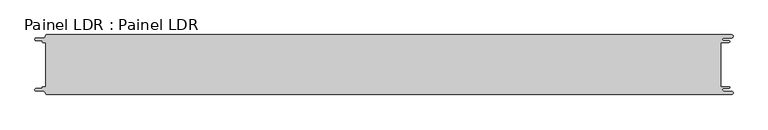
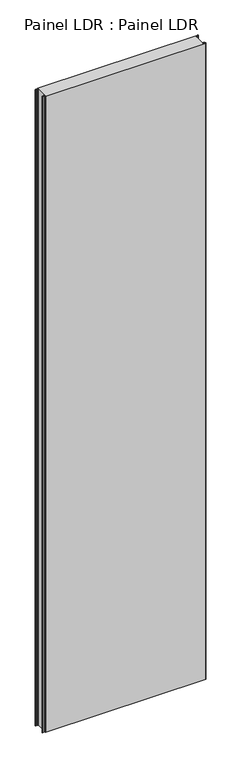
"""IFC4 building model written with IfcOpenShell, lengths in millimetres: proxy geometry, Painel LDR : Painel LDR."""

from ifc_helpers import new_model, si_unit, frame, origin, place, context, project, spatial, polyline, circle_curve, source, transform, mapped, element, save
from ifc_brep_helpers import plane_surface, cylinder_surface, revolved_surface, advanced_brep


def painel_ldr_painel_ldr_8122386d(model_context):
    return source(origin(), model_context, "Body", "AdvancedBrep", [
        advanced_brep(
        [(-579.5093748, -37.3, 4800.0), (-580.1093748, -37.9, 4800.0), (-580.1093748, -38.7085184, 4800.0), (-581.5093751, -40.1085187, 4800.0), (-590.4875, -40.1085187, 4800.0), (-590.4875, -44.5085185, 4800.0), (-578.471875, -44.5085185, 4800.0), (-574.921875, -48.0585185, 4800.0), (-572.971875, -50.0, 4800.0), (572.284375, -50.0, 4800.0), (572.284375, -44.725, 4800.0), (559.378125, -44.725, 4800.0), (559.378125, -39.875, 4800.0), (568.0406253, -39.875, 4800.0), (568.0406253, -37.3, 4800.0), (554.1906253, -37.3, 4800.0), (554.1906253, 37.3, 4800.0), (568.0406253, 37.3, 4800.0), (568.0406253, 39.875, 4800.0), (559.378125, 39.875, 4800.0), (559.378125, 44.725, 4800.0), (572.284375, 44.725, 4800.0), (572.284375, 50.0, 4800.0), (-572.971875, 50.0, 4800.0), (-574.921875, 48.05, 4800.0), (-578.471875, 44.5085185, 4800.0), (-590.4875, 44.5085185, 4800.0), (-590.4875, 40.1085185, 4800.0), (-581.5093753, 40.1085185, 4800.0), (-580.1093753, 38.7085185, 4800.0), (-580.1093753, 37.9, 4800.0), (-579.5093748, 37.2999995, 4800.0), (-574.2218362, 37.2999995, 4800.0), (-574.2218362, -37.3, 4800.0), (-579.5093748, -37.3, 0.0), (-574.2218362, -37.3, 0.0), (-574.2218362, 37.2999995, 0.0), (-579.5093748, 37.2999995, 0.0), (-580.1093753, 37.9, 0.0), (-580.1093753, 38.7085185, 0.0), (-581.5093753, 40.1085185, 0.0), (-590.4875, 40.1085185, 0.0), (-590.4875, 44.5085185, 0.0), (-578.471875, 44.5085185, 0.0), (-574.921875, 48.0585185, 0.0), (-572.971875, 50.0, 0.0), (572.284375, 50.0, 0.0), (572.284375, 44.725, 0.0), (559.378125, 44.725, 0.0), (559.378125, 39.875, 0.0), (568.0406253, 39.875, 0.0), (568.0406253, 37.3, 0.0), (554.1906253, 37.3, 0.0), (554.1906253, -37.3, 0.0), (568.0406253, -37.3, 0.0), (568.0406253, -39.875, 0.0), (559.378125, -39.875, 0.0), (559.378125, -44.725, 0.0), (572.284375, -44.725, 0.0), (572.284375, -50.0, 0.0), (-572.971875, -50.0, 0.0), (-574.921875, -48.05, 0.0), (-578.471875, -44.5085185, 0.0), (-590.4875, -44.5085185, 0.0), (-590.4875, -40.1085187, 0.0), (-581.5093751, -40.1085187, 0.0), (-580.1093748, -38.7085184, 0.0), (-580.1093748, -37.9, 0.0)],
        [
            (0, 1, circle_curve(frame((-579.5093748, -37.9, 4800.0), z_axis=(0.0, 0.0, 1.0), x_axis=(1.0, 0.0, 0.0)), 0.6)),
            (1, 2),
            (2, 3, circle_curve(frame((-581.5093751, -38.7085184, 4800.0), z_axis=(0.0, 0.0, -1.0), x_axis=(1.0, 0.0, 0.0)), 1.4000003)),
            (3, 4),
            (4, 5, circle_curve(frame((-590.4875, -42.3085186, 4800.0), z_axis=(0.0, 0.0, 1.0), x_axis=(1.0, 0.0, 0.0)), 2.1999999)),
            (5, 6),
            (6, 7, circle_curve(frame((-578.471875, -48.0585185, 4800.0), z_axis=(0.0, 0.0, -1.0), x_axis=(1.0, 0.0, 0.0)), 3.55)),
            (7, 8, circle_curve(frame((-572.971875, -48.05, 4800.0), z_axis=(0.0, 0.0, 1.0), x_axis=(1.0, 0.0, 0.0)), 1.95)),
            (8, 9),
            (9, 10, circle_curve(frame((572.284375, -47.3625, 4800.0), z_axis=(0.0, 0.0, 1.0), x_axis=(1.0, 0.0, 0.0)), 2.6375)),
            (10, 11),
            (11, 12, circle_curve(frame((559.378125, -42.3, 4800.0), z_axis=(0.0, 0.0, -1.0), x_axis=(1.0, 0.0, 0.0)), 2.425)),
            (12, 13),
            (13, 14, circle_curve(frame((568.0406253, -38.5875, 4800.0), z_axis=(0.0, 0.0, 1.0), x_axis=(1.0, 0.0, 0.0)), 1.2875)),
            (14, 15),
            (15, 16),
            (16, 17),
            (17, 18, circle_curve(frame((568.0406253, 38.5875, 4800.0), z_axis=(0.0, 0.0, 1.0), x_axis=(1.0, 0.0, 0.0)), 1.2875)),
            (18, 19),
            (19, 20, circle_curve(frame((559.378125, 42.3, 4800.0), z_axis=(0.0, 0.0, -1.0), x_axis=(1.0, 0.0, 0.0)), 2.425)),
            (20, 21),
            (21, 22, circle_curve(frame((572.284375, 47.3625, 4800.0), z_axis=(0.0, 0.0, 1.0), x_axis=(1.0, 0.0, 0.0)), 2.6375)),
            (22, 23),
            (23, 24, circle_curve(frame((-572.971875, 48.05, 4800.0), z_axis=(0.0, 0.0, 1.0), x_axis=(1.0, 0.0, 0.0)), 1.95)),
            (24, 25, circle_curve(frame((-578.471875, 48.0585185, 4800.0), z_axis=(0.0, 0.0, -1.0), x_axis=(1.0, 0.0, 0.0)), 3.55)),
            (25, 26),
            (26, 27, circle_curve(frame((-590.4875, 42.3085185, 4800.0), z_axis=(0.0, 0.0, 1.0), x_axis=(1.0, 0.0, 0.0)), 2.2)),
            (27, 28),
            (28, 29, circle_curve(frame((-581.5093753, 38.7085185, 4800.0), z_axis=(0.0, 0.0, -1.0), x_axis=(1.0, 0.0, 0.0)), 1.4)),
            (29, 30),
            (30, 31, circle_curve(frame((-579.5093748, 37.9, 4800.0), z_axis=(0.0, 0.0, 1.0), x_axis=(1.0, 0.0, 0.0)), 0.6000005)),
            (31, 32),
            (32, 33),
            (33, 0),
            (34, 35),
            (35, 36),
            (36, 37),
            (37, 38, circle_curve(frame((-579.5093748, 37.9, 0.0), z_axis=(0.0, 0.0, -1.0), x_axis=(1.0, 0.0, 0.0)), 0.6000005)),
            (38, 39),
            (39, 40, circle_curve(frame((-581.5093753, 38.7085185, 0.0), z_axis=(0.0, 0.0, 1.0), x_axis=(1.0, 0.0, 0.0)), 1.4)),
            (40, 41),
            (41, 42, circle_curve(frame((-590.4875, 42.3085185, 0.0), z_axis=(0.0, 0.0, -1.0), x_axis=(1.0, 0.0, 0.0)), 2.2)),
            (42, 43),
            (43, 44, circle_curve(frame((-578.471875, 48.0585185, 0.0), z_axis=(0.0, 0.0, 1.0), x_axis=(1.0, 0.0, 0.0)), 3.55)),
            (44, 45, circle_curve(frame((-572.971875, 48.05, 0.0), z_axis=(0.0, 0.0, -1.0), x_axis=(1.0, 0.0, 0.0)), 1.95)),
            (45, 46),
            (46, 47, circle_curve(frame((572.284375, 47.3625, 0.0), z_axis=(0.0, 0.0, -1.0), x_axis=(1.0, 0.0, 0.0)), 2.6375)),
            (47, 48),
            (48, 49, circle_curve(frame((559.378125, 42.3, 0.0), z_axis=(0.0, 0.0, 1.0), x_axis=(1.0, 0.0, 0.0)), 2.425)),
            (49, 50),
            (50, 51, circle_curve(frame((568.0406253, 38.5875, 0.0), z_axis=(0.0, 0.0, -1.0), x_axis=(1.0, 0.0, 0.0)), 1.2875)),
            (51, 52),
            (52, 53),
            (53, 54),
            (54, 55, circle_curve(frame((568.0406253, -38.5875, 0.0), z_axis=(0.0, 0.0, -1.0), x_axis=(1.0, 0.0, 0.0)), 1.2875)),
            (55, 56),
            (56, 57, circle_curve(frame((559.378125, -42.3, 0.0), z_axis=(0.0, 0.0, 1.0), x_axis=(1.0, 0.0, 0.0)), 2.425)),
            (57, 58),
            (58, 59, circle_curve(frame((572.284375, -47.3625, 0.0), z_axis=(0.0, 0.0, -1.0), x_axis=(1.0, 0.0, 0.0)), 2.6375)),
            (59, 60),
            (60, 61, circle_curve(frame((-572.971875, -48.05, 0.0), z_axis=(0.0, 0.0, -1.0), x_axis=(1.0, 0.0, 0.0)), 1.95)),
            (61, 62, circle_curve(frame((-578.471875, -48.0585185, 0.0), z_axis=(0.0, 0.0, 1.0), x_axis=(1.0, 0.0, 0.0)), 3.55)),
            (62, 63),
            (63, 64, circle_curve(frame((-590.4875, -42.3085186, 0.0), z_axis=(0.0, 0.0, -1.0), x_axis=(1.0, 0.0, 0.0)), 2.1999999)),
            (64, 65),
            (65, 66, circle_curve(frame((-581.5093751, -38.7085184, 0.0), z_axis=(0.0, 0.0, 1.0), x_axis=(1.0, 0.0, 0.0)), 1.4000003)),
            (66, 67),
            (67, 34, circle_curve(frame((-579.5093748, -37.9, 0.0), z_axis=(0.0, 0.0, -1.0), x_axis=(1.0, 0.0, 0.0)), 0.6)),
            (33, 35),
            (34, 0),
            (32, 36),
            (31, 37),
            (30, 38),
            (29, 39),
            (28, 40),
            (27, 41),
            (26, 42),
            (25, 43),
            (24, 44),
            (23, 45),
            (22, 46),
            (15, 53),
            (52, 16),
            (14, 54),
            (13, 55),
            (12, 56),
            (11, 57),
            (10, 58),
            (9, 59),
            (8, 60),
            (7, 61),
            (6, 62),
            (5, 63),
            (4, 64),
            (3, 65),
            (2, 66),
            (1, 67),
            (21, 47),
            (20, 48),
            (19, 49),
            (18, 50),
            (17, 51),
        ],
        [
            plane_surface(frame((-574.2218362, -37.3, 4800.0), z_axis=(0.0, 0.0, 1.0), x_axis=(1.0, 0.0, 0.0))),
            plane_surface(frame((-574.2218362, -37.3, 0.0), z_axis=(0.0, 0.0, -1.0), x_axis=(-1.0, 0.0, 0.0))),
            plane_surface(frame((-579.5093748, -37.3, 4800.0), z_axis=(0.0, 1.0, 0.0), x_axis=(0.0, 0.0, -1.0))),
            plane_surface(frame((-574.2218362, -37.3, 4800.0), z_axis=(-1.0, 0.0, 0.0), x_axis=(0.0, 0.0, -1.0))),
            plane_surface(frame((-574.2218362, 37.2999995, 4800.0), z_axis=(0.0, -1.0, 0.0), x_axis=(0.0, 0.0, -1.0))),
            cylinder_surface(frame((-579.5093748, 37.9, 0.0), z_axis=(0.0, 0.0, 1.0), x_axis=(1.0, 0.0, 0.0)), 0.6000005),
            plane_surface(frame((-580.1093753, 37.9, 4800.0), z_axis=(-1.0, -1.7578608662328141e-12, 0.0), x_axis=(0.0, 0.0, -1.0))),
            revolved_surface(polyline([(-580.1093753, 38.7085185, 0.0), (-580.1093753, 38.7085185, 4800.0)]), (-581.5093753, 38.7085185, 0.0), (0.0, 0.0, -1.0)),
            plane_surface(frame((-581.5093753, 40.1085185, 4800.0), z_axis=(0.0, -1.0, 0.0), x_axis=(0.0, 0.0, -1.0))),
            cylinder_surface(frame((-590.4875, 42.3085185, 0.0), z_axis=(0.0, 0.0, 1.0), x_axis=(1.0, 0.0, 0.0)), 2.2),
            plane_surface(frame((-590.4875, 44.5085185, 4800.0), z_axis=(0.0, 1.0, 0.0), x_axis=(0.0, 0.0, -1.0))),
            revolved_surface(polyline([(-574.921875, 48.0585185, 0.0), (-574.921875, 48.0585185, 4800.0)]), (-578.471875, 48.0585185, 0.0), (0.0, 0.0, -1.0)),
            cylinder_surface(frame((-572.971875, 48.05, 0.0), z_axis=(0.0, 0.0, 1.0), x_axis=(1.0, 0.0, 0.0)), 1.95),
            plane_surface(frame((-572.971875, 50.0, 4800.0), z_axis=(0.0, 1.0, 0.0), x_axis=(0.0, 0.0, -1.0))),
            plane_surface(frame((554.1906253, 37.3, 4800.0), z_axis=(1.0, 0.0, 0.0), x_axis=(0.0, 0.0, -1.0))),
            plane_surface(frame((554.1906253, -37.3, 4800.0), z_axis=(0.0, 1.0, 0.0), x_axis=(0.0, 0.0, -1.0))),
            cylinder_surface(frame((568.0406253, -38.5875, 0.0), z_axis=(0.0, 0.0, 1.0), x_axis=(1.0, 0.0, 0.0)), 1.2875),
            plane_surface(frame((568.0406253, -39.875, 4800.0), z_axis=(0.0, -1.0, 0.0), x_axis=(0.0, 0.0, -1.0))),
            revolved_surface(polyline([(561.8031249999999, -42.3, 0.0), (561.8031249999999, -42.3, 4800.0)]), (559.378125, -42.3, 0.0), (0.0, 0.0, -1.0)),
            plane_surface(frame((559.378125, -44.725, 4800.0), z_axis=(0.0, 1.0, 0.0), x_axis=(0.0, 0.0, -1.0))),
            cylinder_surface(frame((572.284375, -47.3625, 0.0), z_axis=(0.0, 0.0, 1.0), x_axis=(1.0, 0.0, 0.0)), 2.6375),
            plane_surface(frame((572.284375, -50.0, 4800.0), z_axis=(0.0, -1.0, 0.0), x_axis=(0.0, 0.0, -1.0))),
            cylinder_surface(frame((-572.971875, -48.05, 0.0), z_axis=(0.0, 0.0, 1.0), x_axis=(1.0, 0.0, 0.0)), 1.95),
            revolved_surface(polyline([(-574.921875, -48.0585185, 0.0), (-574.921875, -48.0585185, 4800.0)]), (-578.471875, -48.0585185, 0.0), (0.0, 0.0, -1.0)),
            plane_surface(frame((-578.471875, -44.5085185, 4800.0), z_axis=(0.0, -1.0, 0.0), x_axis=(0.0, 0.0, -1.0))),
            cylinder_surface(frame((-590.4875, -42.3085186, 0.0), z_axis=(0.0, 0.0, 1.0), x_axis=(1.0, 0.0, 0.0)), 2.1999999),
            plane_surface(frame((-590.4875, -40.1085187, 4800.0), z_axis=(0.0, 1.0, 0.0), x_axis=(0.0, 0.0, -1.0))),
            revolved_surface(polyline([(-580.1093748000001, -38.7085184, 0.0), (-580.1093748000001, -38.7085184, 4800.0)]), (-581.5093751, -38.7085184, 0.0), (0.0, 0.0, -1.0)),
            plane_surface(frame((-580.1093748, -38.7085184, 4800.0), z_axis=(-1.0, 0.0, 0.0), x_axis=(0.0, 0.0, -1.0))),
            cylinder_surface(frame((-579.5093748, -37.9, 0.0), z_axis=(0.0, 0.0, 1.0), x_axis=(1.0, 0.0, 0.0)), 0.6),
            cylinder_surface(frame((572.284375, 47.3625, 0.0), z_axis=(0.0, 0.0, 1.0), x_axis=(1.0, 0.0, 0.0)), 2.6375),
            plane_surface(frame((572.284375, 44.725, 4800.0), z_axis=(0.0, -1.0, 0.0), x_axis=(0.0, 0.0, -1.0))),
            revolved_surface(polyline([(561.8031249999999, 42.3, 0.0), (561.8031249999999, 42.3, 4800.0)]), (559.378125, 42.3, 0.0), (0.0, 0.0, -1.0)),
            plane_surface(frame((559.378125, 39.875, 4800.0), z_axis=(0.0, 1.0, 0.0), x_axis=(0.0, 0.0, -1.0))),
            cylinder_surface(frame((568.0406253, 38.5875, 0.0), z_axis=(0.0, 0.0, 1.0), x_axis=(1.0, 0.0, 0.0)), 1.2875),
            plane_surface(frame((568.0406253, 37.3, 4800.0), z_axis=(0.0, -1.0, 0.0), x_axis=(0.0, 0.0, -1.0))),
        ],
        [
            (0, [[1, 2, 3, 4, 5, 6, 7, 8, 9, 10, 11, 12, 13, 14, 15, 16, 17, 18, 19, 20, 21, 22, 23, 24, 25, 26, 27, 28, 29, 30, 31, 32, 33, 34]]),
            (1, [[35, 36, 37, 38, 39, 40, 41, 42, 43, 44, 45, 46, 47, 48, 49, 50, 51, 52, 53, 54, 55, 56, 57, 58, 59, 60, 61, 62, 63, 64, 65, 66, 67, 68]]),
            (2, [[69, -35, 70, -34]]),
            (3, [[71, -36, -69, -33]]),
            (4, [[72, -37, -71, -32]]),
            (5, [[73, -38, -72, -31]]),
            (6, [[74, -39, -73, -30]]),
            (7, [[75, -40, -74, -29]]),
            (8, [[76, -41, -75, -28]]),
            (9, [[77, -42, -76, -27]]),
            (10, [[78, -43, -77, -26]]),
            (11, [[79, -44, -78, -25]]),
            (12, [[80, -45, -79, -24]]),
            (13, [[81, -46, -80, -23]]),
            (14, [[82, -53, 83, -16]]),
            (15, [[84, -54, -82, -15]]),
            (16, [[85, -55, -84, -14]]),
            (17, [[86, -56, -85, -13]]),
            (18, [[87, -57, -86, -12]]),
            (19, [[88, -58, -87, -11]]),
            (20, [[89, -59, -88, -10]]),
            (21, [[90, -60, -89, -9]]),
            (22, [[91, -61, -90, -8]]),
            (23, [[92, -62, -91, -7]]),
            (24, [[93, -63, -92, -6]]),
            (25, [[94, -64, -93, -5]]),
            (26, [[95, -65, -94, -4]]),
            (27, [[96, -66, -95, -3]]),
            (28, [[97, -67, -96, -2]]),
            (29, [[-70, -68, -97, -1]]),
            (30, [[98, -47, -81, -22]]),
            (31, [[99, -48, -98, -21]]),
            (32, [[100, -49, -99, -20]]),
            (33, [[101, -50, -100, -19]]),
            (34, [[102, -51, -101, -18]]),
            (35, [[-83, -52, -102, -17]]),
        ],
    ),
    ])


if __name__ == "__main__":
    model = new_model("IFC4")
    model_context = context("Model", 3, world=origin())
    ifc_project = project(units=[si_unit("LENGTHUNIT", "METRE", prefix="MILLI")], contexts=[model_context])
    site = spatial("IfcSite", under=ifc_project)
    building = spatial("IfcBuilding", under=site)
    placement = place(None, origin())
    painel_ldr_painel_ldr_shape = painel_ldr_painel_ldr_8122386d(model_context)
    element("IfcBuildingElementProxy", 1, Name="Painel LDR : Painel LDR", ObjectType="Painel LDR : Painel LDR", at=placement, inside=building, context=model_context, shape_type="MappedRepresentation", body=[
        mapped(painel_ldr_painel_ldr_shape, transform((0.0, 0.0, 0.0), x_axis=(1.0, 0.0, 0.0), y_axis=(0.0, 1.0, 0.0), z_axis=(0.0, 0.0, 1.0))),
    ])
    save(model, "model.ifc")
